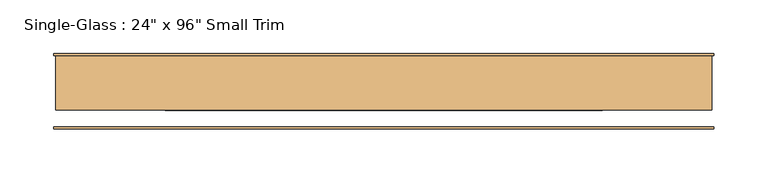
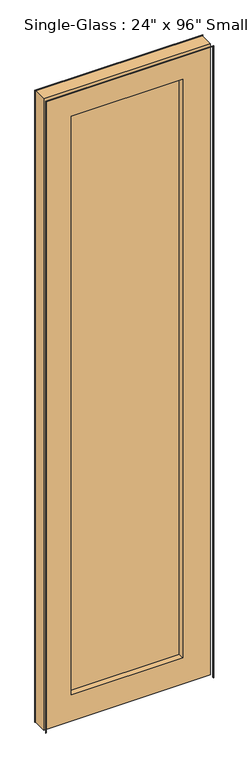
"""IFC4 building model written with IfcOpenShell, lengths in millimetres: door geometry."""

from ifc_helpers import new_model, si_unit, frame, origin, place, context, project, spatial, polyline, outline, extrude, source, transform, mapped, element, save


def door_6013ae82(model_context):
    return source(origin(), model_context, "Body", "SweptSolid", [
        extrude(outline(polyline([(2438.4, 304.8), (0.0, 304.8), (0.0, 306.3875), (2439.9875, 306.3875), (2439.9875, -306.3875), (0.0, -306.3875), (0.0, -304.8), (2438.4, -304.8), (2438.4, 304.8)])), frame((0.0, -34.925, 0.0), z_axis=(0.0, 1.0, 0.0), x_axis=(0.0, 0.0, 1.0)), (0.0, 0.0, 1.0), 1.5875),
        extrude(outline(polyline([(2438.4, 304.8), (0.0, 304.8), (0.0, 306.3875), (2439.9875, 306.3875), (2439.9875, -306.3875), (0.0, -306.3875), (0.0, -304.8), (2438.4, -304.8), (2438.4, 304.8)])), frame((0.0, 33.3375, 0.0), z_axis=(0.0, 1.0, 0.0), x_axis=(0.0, 0.0, 1.0)), (0.0, 0.0, 1.0), 1.5875),
        extrude(outline(polyline([(203.2, 4.7625), (-203.2, 4.7625), (-203.2, 11.1125), (203.2, 11.1125), (203.2, 4.7625)])), frame((0.0, 0.0, 101.6), z_axis=(0.0, 0.0, 1.0), x_axis=(1.0, 0.0, 0.0)), (0.0, 0.0, 1.0), 2235.2),
        extrude(outline(polyline([(2438.4, 304.8), (2438.4, -304.8), (0.0, -304.8), (0.0, 304.8), (2438.4, 304.8)]), holes=[polyline([(2336.8, -203.2), (2336.8, 203.2), (101.6, 203.2), (101.6, -203.2), (2336.8, -203.2)])]), frame((0.0, -17.4625, 0.0), z_axis=(0.0, 1.0, 0.0), x_axis=(0.0, 0.0, 1.0)), (0.0, 0.0, 1.0), 50.8),
    ])


if __name__ == "__main__":
    model = new_model("IFC4")
    model_context = context("Model", 3, world=origin())
    ifc_project = project(units=[si_unit("LENGTHUNIT", "METRE", prefix="MILLI")], contexts=[model_context])
    site = spatial("IfcSite", under=ifc_project)
    building = spatial("IfcBuilding", under=site)
    placement = place(None, origin())
    door_shape = door_6013ae82(model_context)
    element("IfcDoor", 1, ObjectType="Single-Glass : 24\" x 96\" Small Trim", at=placement, inside=building, context=model_context, shape_type="MappedRepresentation", body=[
        mapped(door_shape, transform((0.0, 0.0, 0.0), x_axis=(1.0, 0.0, 0.0), y_axis=(0.0, 1.0, 0.0), z_axis=(0.0, 0.0, 1.0))),
    ])
    save(model, "model.ifc")
